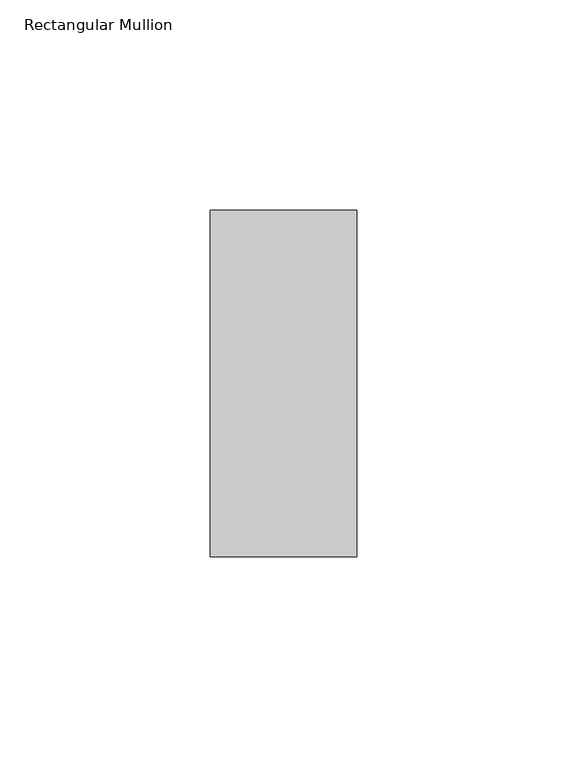
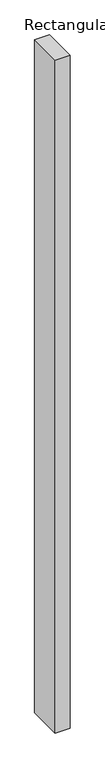
"""IFC4 building model written with IfcOpenShell, lengths in millimetres: member geometry, Rectangular Mullion."""

from ifc_helpers import new_model, si_unit, frame, origin, place, context, project, spatial, polyline, outline, extrude, source, transform, mapped, element, save


def rectangular_mullion_d9c4e5c6(model_context):
    return source(origin(), model_context, "Body", "SweptSolid", [
        extrude(outline(polyline([(-34.925, -73.025), (-34.925, 9.525), (0.0, 9.525), (0.0, -73.025), (-34.925, -73.025)])), frame((0.0, 0.0, -1666.875), z_axis=(0.0, 0.0, 1.0), x_axis=(1.0, 0.0, 0.0)), (0.0, 0.0, 1.0), 1666.875),
    ])


if __name__ == "__main__":
    model = new_model("IFC4")
    model_context = context("Model", 3, world=origin())
    ifc_project = project(units=[si_unit("LENGTHUNIT", "METRE", prefix="MILLI")], contexts=[model_context])
    site = spatial("IfcSite", under=ifc_project)
    building = spatial("IfcBuilding", under=site)
    placement = place(None, origin())
    rectangular_mullion_shape = rectangular_mullion_d9c4e5c6(model_context)
    element("IfcMember", 1, ObjectType="Rectangular Mullion", at=placement, inside=building, context=model_context, shape_type="MappedRepresentation", body=[
        mapped(rectangular_mullion_shape, transform((0.0, 0.0, 0.0), x_axis=(1.0, 0.0, 0.0), y_axis=(0.0, 1.0, 0.0), z_axis=(0.0, 0.0, 1.0))),
    ])
    save(model, "model.ifc")
